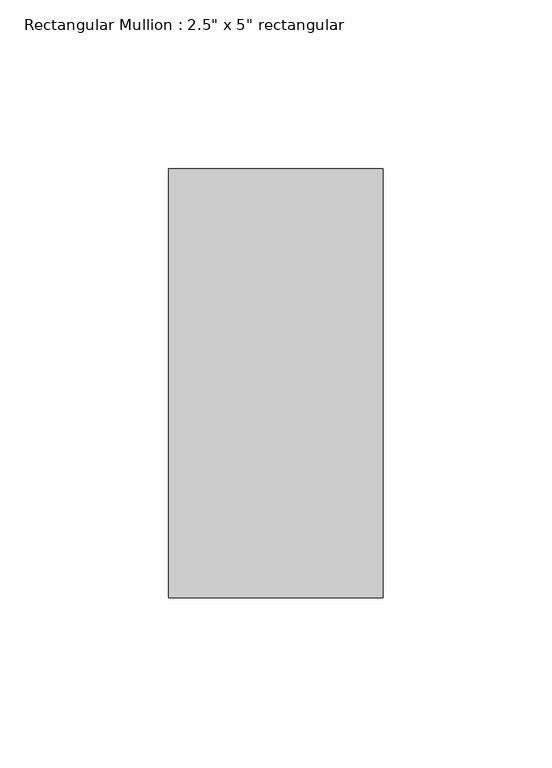
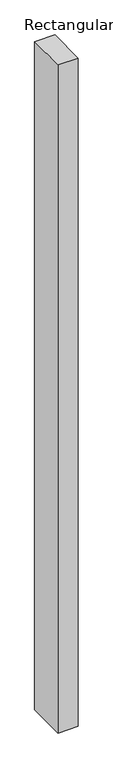
"""IFC4 building model written with IfcOpenShell, lengths in millimetres: member geometry."""

from ifc_helpers import new_model, si_unit, frame, origin, place, context, project, spatial, polyline, outline, extrude, source, transform, mapped, element, save


def member_f91e787e(model_context):
    return source(origin(), model_context, "Body", "SweptSolid", [
        extrude(outline(polyline([(0.0, 63.5), (0.0, -63.5), (-63.5, -63.5), (-63.5, 63.5), (0.0, 63.5)])), frame((0.0, 0.0, -2220.0), z_axis=(0.0, 0.0, 1.0), x_axis=(1.0, 0.0, 0.0)), (0.0, 0.0, 1.0), 2220.0),
    ])


if __name__ == "__main__":
    model = new_model("IFC4")
    model_context = context("Model", 3, world=origin())
    ifc_project = project(units=[si_unit("LENGTHUNIT", "METRE", prefix="MILLI")], contexts=[model_context])
    site = spatial("IfcSite", under=ifc_project)
    building = spatial("IfcBuilding", under=site)
    placement = place(None, origin())
    member_shape = member_f91e787e(model_context)
    element("IfcMember", 1, ObjectType="Rectangular Mullion : 2.5\" x 5\" rectangular", at=placement, inside=building, context=model_context, shape_type="MappedRepresentation", body=[
        mapped(member_shape, transform((0.0, 0.0, 0.0), x_axis=(1.0, 0.0, 0.0), y_axis=(0.0, 1.0, 0.0), z_axis=(0.0, 0.0, 1.0))),
    ])
    save(model, "model.ifc")
